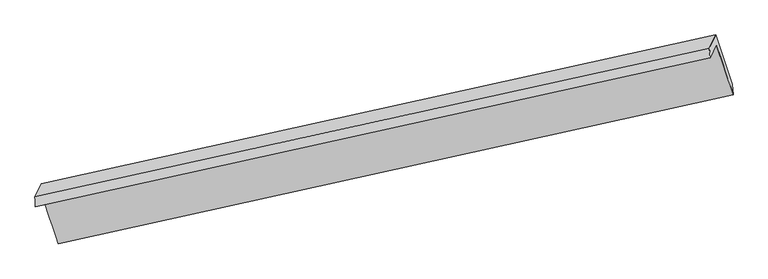
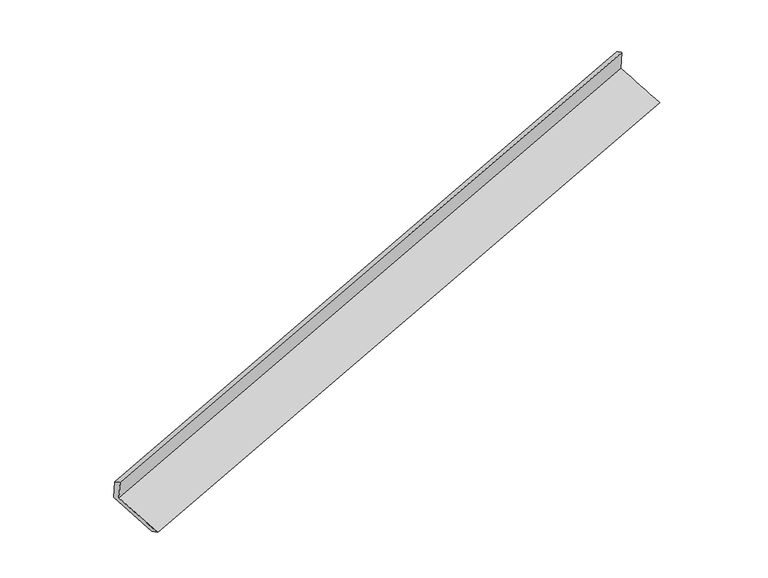
"""IFC4 building model written with IfcOpenShell, lengths in millimetres: proxy geometry."""

from ifc_helpers import new_model, si_unit, frame, origin, place, context, project, spatial, source, transform, mapped, element, save
from ifc_brep_helpers import plane_surface, spline_surface, advanced_brep


def generic_models_1f3140f1(model_context):
    return source(origin(), model_context, "Body", "AdvancedBrep", [
        advanced_brep(
        [(-7589.5425809, -2481.7067005, 904.8969248), (-7504.5660234, -2305.5795119, 499.8669957), (1698.2490265, -272.3524766, 3316.7670921), (1613.272469, -448.4796652, 3721.7970212), (-7597.5612986, -2346.1832313, 834.0972752), (1602.8813225, -316.9789254, 3659.8549018), (-7513.0364649, -2170.9923109, 431.2204304), (1689.2954991, -137.8720466, 3247.9727445), (-7291.5204342, -2842.6139745, 185.6406385), (1914.4018798, -808.7001763, 3003.4912875), (-7280.2774473, -2985.6073462, 251.2134709), (1926.1728903, -951.576845, 3069.2256491)],
        [
            (0, 1),
            (1, 2),
            (2, 3),
            (3, 0),
            (4, 0),
            (3, 5),
            (5, 4),
            (6, 4),
            (5, 7),
            (7, 6),
            (8, 6),
            (7, 9),
            (9, 8),
            (10, 8),
            (9, 11),
            (11, 10),
            (1, 10),
            (11, 2),
        ],
        [
            plane_surface(frame((-7547.0543022, -2393.6431062, 702.3819603), z_axis=(0.2982778510780689, -0.896604371357717, -0.3273086079199305), x_axis=(0.18893429802039038, 0.3915958435819762, -0.9005312467209913))),
            spline_surface(1, 1, [[(-7597.5612986, -2346.1832313, 834.0972752), (1602.8813225, -316.9789254, 3659.8549018)], [(-7589.5425809, -2481.7067005, 904.8969248), (1613.272469, -448.4796652, 3721.7970212)]], [2, 2], [2, 2], [0.0, 1.0], [0.0, 1.0]),
            plane_surface(frame((-7555.2988818, -2258.5877711, 632.6588528), z_axis=(-0.2982778503289468, 0.8966043715232129, 0.3273086081492616), x_axis=(-0.1889342980203041, -0.3915958435821279, 0.9005312467209434))),
            spline_surface(1, 1, [[(-7291.5204342, -2842.6139745, 185.6406385), (1914.4018798, -808.7001763, 3003.4912875)], [(-7513.0364649, -2170.9923109, 431.2204304), (1689.2954991, -137.8720466, 3247.9727445)]], [2, 2], [2, 2], [0.0, 1.0], [0.0, 1.0]),
            spline_surface(1, 1, [[(-7280.2774473, -2985.6073462, 251.2134709), (1926.1728903, -951.576845, 3069.2256491)], [(-7291.5204342, -2842.6139745, 185.6406385), (1914.4018798, -808.7001763, 3003.4912875)]], [2, 2], [2, 2], [0.0, 1.0], [0.0, 1.0]),
            spline_surface(1, 1, [[(-7504.5660234, -2305.5795119, 499.8669957), (1698.2490265, -272.3524766, 3316.7670921)], [(-7280.2774473, -2985.6073462, 251.2134709), (1926.1728903, -951.576845, 3069.2256491)]], [2, 2], [2, 2], [0.0, 1.0], [0.0, 1.0]),
            plane_surface(frame((1740.7121812, -489.3266892, 3336.518116), z_axis=(0.9348207915693796, 0.2090797060457339, 0.2870466236858192), x_axis=(-0.30068907309905746, 0.8960682852378227, 0.32656960898065474))),
            plane_surface(frame((-7462.7507082, -2522.1138459, 517.8226226), z_axis=(-0.9363498482457107, -0.2044836943660868, -0.2853688497867832), x_axis=(-0.18893429802034345, -0.39159584358205146, 0.9005312467209684))),
        ],
        [
            (0, [[1, 2, 3, 4]]),
            (1, [[5, -4, 6, 7]]),
            (2, [[8, -7, 9, 10]]),
            (3, [[11, -10, 12, 13]]),
            (4, [[14, -13, 15, 16]]),
            (5, [[17, -16, 18, -2]]),
            (6, [[-12, -9, -6, -3, -18, -15]]),
            (7, [[-1, -5, -8, -11, -14, -17]]),
        ],
    ),
    ])


if __name__ == "__main__":
    model = new_model("IFC4")
    model_context = context("Model", 3, world=origin())
    ifc_project = project(units=[si_unit("LENGTHUNIT", "METRE", prefix="MILLI")], contexts=[model_context])
    site = spatial("IfcSite", under=ifc_project)
    building = spatial("IfcBuilding", under=site)
    placement = place(None, origin())
    generic_models_shape = generic_models_1f3140f1(model_context)
    element("IfcBuildingElementProxy", 1, Name="Generic Models", at=placement, inside=building, context=model_context, shape_type="MappedRepresentation", body=[
        mapped(generic_models_shape, transform((0.0, 0.0, 0.0), x_axis=(1.0, 0.0, 0.0), y_axis=(0.0, 1.0, 0.0), z_axis=(0.0, 0.0, 1.0))),
    ])
    save(model, "model.ifc")
